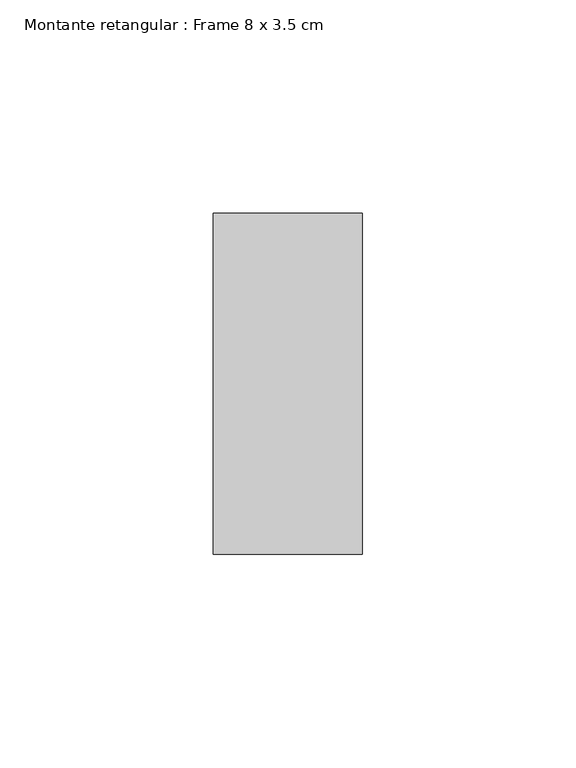
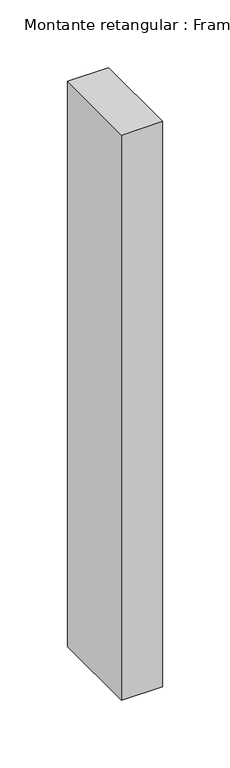
"""IFC4 building model written with IfcOpenShell, lengths in millimetres: member geometry, Montante retangular : Frame 8 x 3.5 cm."""

from ifc_helpers import new_model, si_unit, frame, origin, place, context, project, spatial, polyline, outline, extrude, source, transform, mapped, element, save


def montante_retangular_frame_8_x_3_5_cm_60110a31(model_context):
    return source(origin(), model_context, "Body", "SweptSolid", [
        extrude(outline(polyline([(0.0, 40.0), (0.0, -40.0), (-35.0, -40.0), (-35.0, 40.0), (0.0, 40.0)])), frame((0.0, 0.0, -510.0), z_axis=(0.0, 0.0, 1.0), x_axis=(1.0, 0.0, 0.0)), (0.0, 0.0, 1.0), 510.0),
    ])


if __name__ == "__main__":
    model = new_model("IFC4")
    model_context = context("Model", 3, world=origin())
    ifc_project = project(units=[si_unit("LENGTHUNIT", "METRE", prefix="MILLI")], contexts=[model_context])
    site = spatial("IfcSite", under=ifc_project)
    building = spatial("IfcBuilding", under=site)
    placement = place(None, origin())
    montante_retangular_frame_8_x_3_5_cm_shape = montante_retangular_frame_8_x_3_5_cm_60110a31(model_context)
    element("IfcMember", 1, ObjectType="Montante retangular : Frame 8 x 3.5 cm", at=placement, inside=building, context=model_context, shape_type="MappedRepresentation", body=[
        mapped(montante_retangular_frame_8_x_3_5_cm_shape, transform((0.0, 0.0, 0.0), x_axis=(1.0, 0.0, 0.0), y_axis=(0.0, 1.0, 0.0), z_axis=(0.0, 0.0, 1.0))),
    ])
    save(model, "model.ifc")
